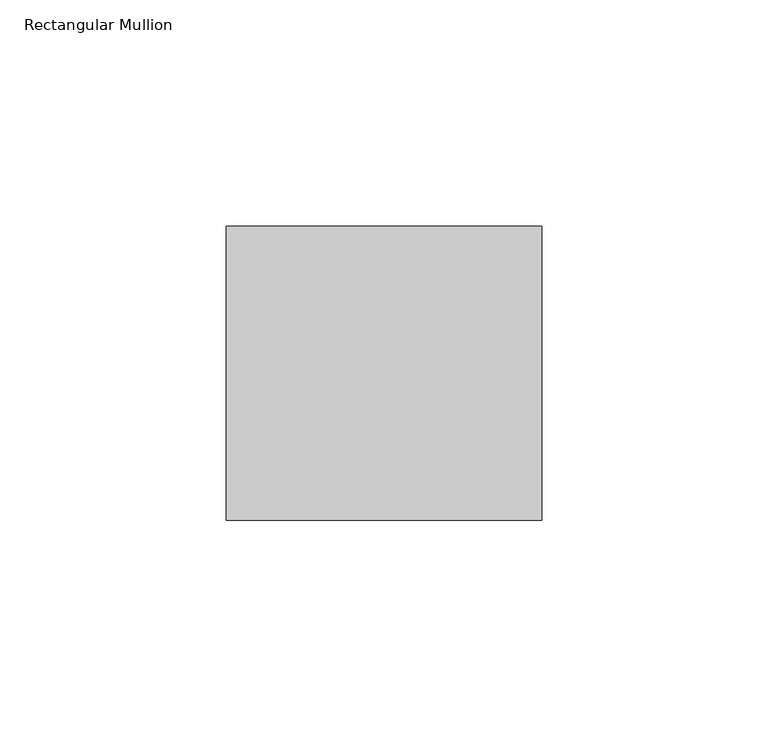
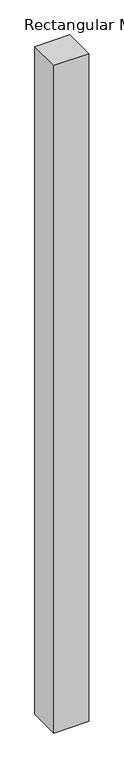
"""IFC4 building model written with IfcOpenShell, lengths in millimetres: member geometry, Rectangular Mullion."""

from ifc_helpers import new_model, si_unit, frame, origin, place, context, project, spatial, polyline, outline, extrude, source, transform, mapped, element, save


def rectangular_mullion_014cc466(model_context):
    return source(origin(), model_context, "Body", "SweptSolid", [
        extrude(outline(polyline([(-69.85, -46.0375), (-69.85, 19.05), (0.0, 19.05), (0.0, -46.0375), (-69.85, -46.0375)])), frame((0.0, 0.0, -1408.90625), z_axis=(0.0, 0.0, 1.0), x_axis=(1.0, 0.0, 0.0)), (0.0, 0.0, 1.0), 1408.90625),
    ])


if __name__ == "__main__":
    model = new_model("IFC4")
    model_context = context("Model", 3, world=origin())
    ifc_project = project(units=[si_unit("LENGTHUNIT", "METRE", prefix="MILLI")], contexts=[model_context])
    site = spatial("IfcSite", under=ifc_project)
    building = spatial("IfcBuilding", under=site)
    placement = place(None, origin())
    rectangular_mullion_shape = rectangular_mullion_014cc466(model_context)
    element("IfcMember", 1, ObjectType="Rectangular Mullion", at=placement, inside=building, context=model_context, shape_type="MappedRepresentation", body=[
        mapped(rectangular_mullion_shape, transform((0.0, 0.0, 0.0), x_axis=(1.0, 0.0, 0.0), y_axis=(0.0, 1.0, 0.0), z_axis=(0.0, 0.0, 1.0))),
    ])
    save(model, "model.ifc")
